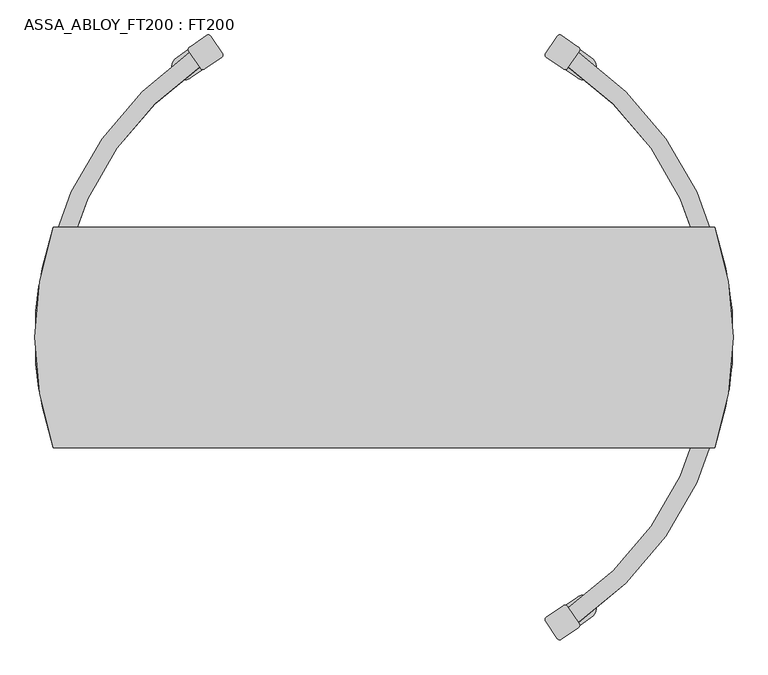
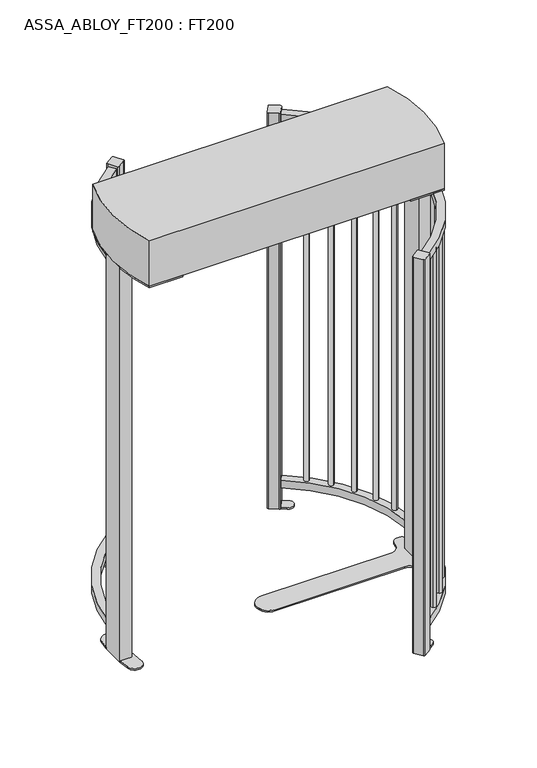
"""IFC4 building model written with IfcOpenShell, lengths in millimetres: proxy geometry, ASSA_ABLOY_FT200 : FT200."""

from ifc_helpers import new_model, si_unit, point, frame, frame_2d, origin, origin_with_axes, origin_2d, place, context, project, spatial, polyline, circle_curve, trimmed, segment, composite_curve, outline, extrude, source, transform, mapped, element, save
from ifc_brep_helpers import plane_surface, cylinder_surface, revolved_surface, advanced_brep


def assa_abloy_ft200_ft200_975a6ff3(model_context):
    return source(origin(), model_context, "Body", "SolidModel", [
        extrude(outline(composite_curve([segment(trimmed(circle_curve(origin_2d(), 742.4655826), [point((-418.0774898, 613.5685405))], [point((-740.0372567, 60.0))], True, "CARTESIAN"), True, "CONTINUOUS"), segment(polyline([(-740.0372567, 60.0), (-780.1617704, 60.0)]), True, "CONTINUOUS"), segment(trimmed(circle_curve(origin_2d(), 782.4655826), [point((-780.1617704, 60.0))], [point((-440.6012269, 646.6242702))], False, "CARTESIAN"), True, "CONTINUOUS"), segment(polyline([(-440.6012269, 646.6242702), (-418.0774898, 613.5685405)]), True, "CONTINUOUS")], self_intersect=False)), frame((0.0, 0.0, 108.5), z_axis=(0.0, 0.0, 1.0), x_axis=(1.0, 0.0, 0.0)), (0.0, 0.0, 1.0), 40.0),
        extrude(outline(composite_curve([segment(trimmed(circle_curve(origin_2d(), 742.4655826), [point((-418.0774898, 613.5685405))], [point((-740.0372567, 60.0))], True, "CARTESIAN"), True, "CONTINUOUS"), segment(polyline([(-740.0372567, 60.0), (-780.1617704, 60.0)]), True, "CONTINUOUS"), segment(trimmed(circle_curve(origin_2d(), 782.4655826), [point((-780.1617704, 60.0))], [point((-440.6012269, 646.6242702))], False, "CARTESIAN"), True, "CONTINUOUS"), segment(polyline([(-440.6012269, 646.6242702), (-418.0774898, 613.5685405)]), True, "CONTINUOUS")], self_intersect=False)), frame((0.0, 0.0, 2077.0), z_axis=(0.0, 0.0, 1.0), x_axis=(1.0, 0.0, 0.0)), (0.0, 0.0, 1.0), 40.0),
        extrude(outline(composite_curve([segment(trimmed(circle_curve(frame_2d((-398.3166943, 679.7133111)), 6.4), [point((-401.9204923, 685.0022278))], [point((-393.0277776, 683.317109))], False, "CARTESIAN"), True, "CONTINUOUS"), segment(polyline([(-393.0277776, 683.317109), (-366.4497678, 644.3113479)]), True, "CONTINUOUS"), segment(trimmed(circle_curve(frame_2d((-371.7386846, 640.70755)), 6.4), [point((-366.4497678, 644.3113479))], [point((-368.1348866, 635.4186332))], False, "CARTESIAN"), True, "CONTINUOUS"), segment(polyline([(-368.1348866, 635.4186332), (-407.1207097, 608.854209)]), True, "CONTINUOUS"), segment(trimmed(circle_curve(frame_2d((-410.7245076, 614.1431257)), 6.4), [point((-407.1207097, 608.854209))], [point((-416.0134244, 610.5393278))], False, "CARTESIAN"), True, "CONTINUOUS"), segment(polyline([(-416.0134244, 610.5393278), (-442.5914341, 649.5450888)]), True, "CONTINUOUS"), segment(trimmed(circle_curve(frame_2d((-437.3025174, 653.1488868)), 6.4), [point((-442.5914341, 649.5450888))], [point((-440.9063153, 658.4378035))], False, "CARTESIAN"), True, "CONTINUOUS"), segment(polyline([(-440.9063153, 658.4378035), (-401.9204923, 685.0022278)]), True, "CONTINUOUS")], self_intersect=False)), origin_with_axes(), (0.0, 0.0, 1.0), 2130.0),
        extrude(outline(composite_curve([segment(trimmed(circle_curve(frame_2d((0.0170756, -0.0250601)), 734.3647421), [point((-413.4988841, 606.8490005))], [point((-437.0598396, 590.1065732))], True, "CARTESIAN"), True, "CONTINUOUS"), segment(trimmed(circle_curve(frame_2d((-453.7247922, 612.6072255)), 28.0), [point((-437.0598396, 590.1065732))], [point((-470.3897449, 635.1078778))], False, "CARTESIAN"), True, "CONTINUOUS"), segment(trimmed(circle_curve(frame_2d((0.0170756, -0.0250601)), 790.3647421), [point((-470.3897449, 635.1078778))], [point((-445.0321161, 653.1270221))], False, "CARTESIAN"), True, "CONTINUOUS"), segment(polyline([(-445.0321161, 653.1270221), (-413.4988841, 606.8490005)]), True, "CONTINUOUS")], self_intersect=False)), origin_with_axes(), (0.0, 0.0, 1.0), 8.0),
        advanced_brep(
        [(739.8778981, -184.2583889, 148.5), (745.4688441, -159.8915876, 148.5), (739.8778981, -184.2583889, 2077.0), (745.5035047, -159.8995664, 2077.0)],
        [
            (0, 1, circle_curve(frame((742.6820377, -172.0769768, 148.5), z_axis=(0.0, 0.0, -1.0), x_axis=(0.22571736015093902, 0.9741928316952919, 0.0)), 12.5)),
            (1, 0, circle_curve(frame((742.6820377, -172.0769768, 148.5), z_axis=(0.0, 0.0, -1.0), x_axis=(0.22571736015093902, 0.9741928316952919, 0.0)), 12.5)),
            (2, 3, circle_curve(frame((742.6820377, -172.0769768, 2077.0), z_axis=(0.0, 0.0, 1.0), x_axis=(0.22571736015093902, 0.9741928316952919, 0.0)), 12.5)),
            (3, 2, circle_curve(frame((742.6820377, -172.0769768, 2077.0), z_axis=(0.0, 0.0, 1.0), x_axis=(0.22571736015093902, 0.9741928316952919, 0.0)), 12.5)),
            (1, 3),
            (2, 0),
        ],
        [
            plane_surface(frame((742.7246149, -172.0869154, 148.5), z_axis=(0.0, 0.0, -1.0), x_axis=(0.9741928316952919, -0.22571736015093902, 0.0))),
            plane_surface(frame((742.7246149, -172.0869154, 2077.0), z_axis=(0.0, 0.0, 1.0), x_axis=(0.9741928316952919, -0.22571736015093902, 0.0))),
            cylinder_surface(frame((742.6820377, -172.0769768, 148.5), z_axis=(0.0, 0.0, -1.0), x_axis=(0.22571736015093902, 0.9741928316952919, 0.0)), 12.5),
        ],
        [
            (0, [[1, 2]]),
            (1, [[3, 4]]),
            (2, [[5, -3, 6, -2]]),
            (2, [[-6, -4, -5, -1]]),
        ],
    ),
        advanced_brep(
        [(713.5184052, -268.8158202, 148.5), (704.3056197, -292.0563939, 148.5), (713.5184052, -268.8158202, 2077.0), (704.2725675, -292.0432645, 2077.0)],
        [
            (0, 1, circle_curve(frame((708.903747, -280.4328306, 148.5), z_axis=(0.0, 0.0, -1.0), x_axis=(0.36785018396747954, 0.9298850693258235, 0.0)), 12.5)),
            (1, 0, circle_curve(frame((708.903747, -280.4328306, 148.5), z_axis=(0.0, 0.0, -1.0), x_axis=(0.36785018396747954, 0.9298850693258235, 0.0)), 12.5)),
            (2, 3, circle_curve(frame((708.903747, -280.4328306, 2077.0), z_axis=(0.0, 0.0, 1.0), x_axis=(0.36785018396747954, 0.9298850693258235, 0.0)), 12.5)),
            (3, 2, circle_curve(frame((708.903747, -280.4328306, 2077.0), z_axis=(0.0, 0.0, 1.0), x_axis=(0.36785018396747954, 0.9298850693258235, 0.0)), 12.5)),
            (1, 3),
            (2, 0),
        ],
        [
            plane_surface(frame((708.9443769, -280.4489803, 148.5), z_axis=(0.0, 0.0, -1.0000000000000002), x_axis=(0.9298850693258235, -0.36785018396747954, 0.0))),
            plane_surface(frame((708.9443769, -280.4489803, 2077.0), z_axis=(0.0, 0.0, 1.0000000000000002), x_axis=(0.9298850693258235, -0.36785018396747954, 0.0))),
            cylinder_surface(frame((708.903747, -280.4328306, 148.5), z_axis=(0.0, 0.0, -1.0000000000000002), x_axis=(0.36785018396747954, 0.9298850693258235, 0.0)), 12.5),
        ],
        [
            (0, [[1, 2]]),
            (1, [[3, 4]]),
            (2, [[5, -3, 6, -2]]),
            (2, [[-6, -4, -5, -1]]),
        ],
    ),
        advanced_brep(
        [(665.7009086, -371.7697674, 148.5), (653.1397929, -393.3849948, 148.5), (665.7009086, -371.7697674, 2077.0), (653.1090562, -393.3671037, 2077.0)],
        [
            (0, 1, circle_curve(frame((659.4126634, -382.5729138, 148.5), z_axis=(0.0, 0.0, -1.0), x_axis=(0.5018296388362806, 0.8649664811918716, 0.0)), 12.5)),
            (1, 0, circle_curve(frame((659.4126634, -382.5729138, 148.5), z_axis=(0.0, 0.0, -1.0), x_axis=(0.5018296388362806, 0.8649664811918716, 0.0)), 12.5)),
            (2, 3, circle_curve(frame((659.4126634, -382.5729138, 2077.0), z_axis=(0.0, 0.0, 1.0), x_axis=(0.5018296388362806, 0.8649664811918716, 0.0)), 12.5)),
            (3, 2, circle_curve(frame((659.4126634, -382.5729138, 2077.0), z_axis=(0.0, 0.0, 1.0), x_axis=(0.5018296388362806, 0.8649664811918716, 0.0)), 12.5)),
            (1, 3),
            (2, 0),
        ],
        [
            plane_surface(frame((659.4504453, -382.5949166, 148.5), z_axis=(0.0, 0.0, -1.0000000000000002), x_axis=(0.8649664811918716, -0.5018296388362806, 0.0))),
            plane_surface(frame((659.4504453, -382.5949166, 2077.0), z_axis=(0.0, 0.0, 1.0000000000000002), x_axis=(0.8649664811918716, -0.5018296388362806, 0.0))),
            cylinder_surface(frame((659.4126634, -382.5729138, 148.5), z_axis=(0.0, 0.0, -1.0000000000000002), x_axis=(0.5018296388362806, 0.8649664811918716, 0.0)), 12.5),
        ],
        [
            (0, [[1, 2]]),
            (1, [[3, 4]]),
            (2, [[5, -3, 6, -2]]),
            (2, [[-6, -4, -5, -1]]),
        ],
    ),
        advanced_brep(
        [(602.9492767, -466.7147195, 148.5), (587.310766, -486.2195053, 148.5), (602.9492767, -466.7147195, 2077.0), (587.2830347, -486.1972385, 2077.0)],
        [
            (0, 1, circle_curve(frame((595.1230845, -476.4615507, 148.5), z_axis=(0.0, 0.0, -1.0), x_axis=(0.6249854827810993, 0.7806363726555895, 0.0)), 12.5)),
            (1, 0, circle_curve(frame((595.1230845, -476.4615507, 148.5), z_axis=(0.0, 0.0, -1.0), x_axis=(0.6249854827810993, 0.7806363726555895, 0.0)), 12.5)),
            (2, 3, circle_curve(frame((595.1230845, -476.4615507, 2077.0), z_axis=(0.0, 0.0, 1.0), x_axis=(0.6249854827810993, 0.7806363726555895, 0.0)), 12.5)),
            (3, 2, circle_curve(frame((595.1230845, -476.4615507, 2077.0), z_axis=(0.0, 0.0, 1.0), x_axis=(0.6249854827810993, 0.7806363726555895, 0.0)), 12.5)),
            (1, 3),
            (2, 0),
        ],
        [
            plane_surface(frame((595.1571705, -476.4889321, 148.5), z_axis=(0.0, 0.0, -1.0000000000000002), x_axis=(0.7806363726555895, -0.6249854827810993, 0.0))),
            plane_surface(frame((595.1571705, -476.4889321, 2077.0), z_axis=(0.0, 0.0, 1.0000000000000002), x_axis=(0.7806363726555895, -0.6249854827810993, 0.0))),
            cylinder_surface(frame((595.1230845, -476.4615507, 148.5), z_axis=(0.0, 0.0, -1.0000000000000002), x_axis=(0.6249854827810993, 0.7806363726555895, 0.0)), 12.5),
        ],
        [
            (0, [[1, 2]]),
            (1, [[3, 4]]),
            (2, [[5, -3, 6, -2]]),
            (2, [[-6, -4, -5, -1]]),
        ],
    ),
        advanced_brep(
        [(526.9315336, -551.0504511, 148.5), (508.5805001, -568.0280705, 148.5), (526.9315336, -551.0504511, 2077.0), (508.5774477, -568.0247706, 2077.0)],
        [
            (0, 1, circle_curve(frame((517.7552537, -559.5384359, 148.5), z_axis=(0.0, 0.0, -1.0), x_axis=(0.733980288863185, 0.6791707705432527, 0.0)), 12.5)),
            (1, 0, circle_curve(frame((517.7552537, -559.5384359, 148.5), z_axis=(0.0, 0.0, -1.0), x_axis=(0.733980288863185, 0.6791707705432527, 0.0)), 12.5)),
            (2, 3, circle_curve(frame((517.7552537, -559.5384359, 2077.0), z_axis=(0.0, 0.0, 1.0), x_axis=(0.733980288863185, 0.6791707705432527, 0.0)), 12.5)),
            (3, 2, circle_curve(frame((517.7552537, -559.5384359, 2077.0), z_axis=(0.0, 0.0, 1.0), x_axis=(0.733980288863185, 0.6791707705432527, 0.0)), 12.5)),
            (1, 3),
            (2, 0),
        ],
        [
            plane_surface(frame((517.7997955, -559.5865722, 148.5), z_axis=(0.0, 0.0, -1.0000000000000002), x_axis=(0.6791707705432527, -0.733980288863185, 0.0))),
            plane_surface(frame((517.7997955, -559.5865722, 2077.0), z_axis=(0.0, 0.0, 1.0000000000000002), x_axis=(0.6791707705432527, -0.733980288863185, 0.0))),
            cylinder_surface(frame((517.7552537, -559.5384359, 148.5), z_axis=(0.0, 0.0, -1.0000000000000002), x_axis=(0.733980288863185, 0.6791707705432527, 0.0)), 12.5),
        ],
        [
            (0, [[1, 2]]),
            (1, [[3, 4]]),
            (2, [[5, -3, 6, -2]]),
            (2, [[-6, -4, -5, -1]]),
        ],
    ),
        extrude(outline(composite_curve([segment(trimmed(circle_curve(origin_2d(), 742.4655826), [point((418.0774898, -613.5685405))], [point((740.0372567, -60.0))], True, "CARTESIAN"), True, "CONTINUOUS"), segment(polyline([(740.0372567, -60.0), (780.1617704, -60.0)]), True, "CONTINUOUS"), segment(trimmed(circle_curve(origin_2d(), 782.4655826), [point((780.1617704, -60.0))], [point((440.6012269, -646.6242702))], False, "CARTESIAN"), True, "CONTINUOUS"), segment(polyline([(440.6012269, -646.6242702), (418.0774898, -613.5685405)]), True, "CONTINUOUS")], self_intersect=False)), frame((0.0, 0.0, 108.5), z_axis=(0.0, 0.0, 1.0), x_axis=(1.0, 0.0, 0.0)), (0.0, 0.0, 1.0), 40.0),
        extrude(outline(composite_curve([segment(trimmed(circle_curve(origin_2d(), 742.4655826), [point((418.0774898, -613.5685405))], [point((740.0372567, -60.0))], True, "CARTESIAN"), True, "CONTINUOUS"), segment(polyline([(740.0372567, -60.0), (780.1617704, -60.0)]), True, "CONTINUOUS"), segment(trimmed(circle_curve(origin_2d(), 782.4655826), [point((780.1617704, -60.0))], [point((440.6012269, -646.6242702))], False, "CARTESIAN"), True, "CONTINUOUS"), segment(polyline([(440.6012269, -646.6242702), (418.0774898, -613.5685405)]), True, "CONTINUOUS")], self_intersect=False)), frame((0.0, 0.0, 2077.0), z_axis=(0.0, 0.0, 1.0), x_axis=(1.0, 0.0, 0.0)), (0.0, 0.0, 1.0), 40.0),
        extrude(outline(composite_curve([segment(trimmed(circle_curve(frame_2d((398.3166943, -679.7133111)), 6.4), [point((401.9204923, -685.0022278))], [point((393.0277776, -683.317109))], False, "CARTESIAN"), True, "CONTINUOUS"), segment(polyline([(393.0277776, -683.317109), (366.4497678, -644.3113479)]), True, "CONTINUOUS"), segment(trimmed(circle_curve(frame_2d((371.7386846, -640.70755)), 6.4), [point((366.4497678, -644.3113479))], [point((368.1348866, -635.4186332))], False, "CARTESIAN"), True, "CONTINUOUS"), segment(polyline([(368.1348866, -635.4186332), (407.1207097, -608.854209)]), True, "CONTINUOUS"), segment(trimmed(circle_curve(frame_2d((410.7245076, -614.1431257)), 6.4), [point((407.1207097, -608.854209))], [point((416.0134244, -610.5393278))], False, "CARTESIAN"), True, "CONTINUOUS"), segment(polyline([(416.0134244, -610.5393278), (442.5914341, -649.5450888)]), True, "CONTINUOUS"), segment(trimmed(circle_curve(frame_2d((437.3025174, -653.1488868)), 6.4), [point((442.5914341, -649.5450888))], [point((440.9063153, -658.4378035))], False, "CARTESIAN"), True, "CONTINUOUS"), segment(polyline([(440.9063153, -658.4378035), (401.9204923, -685.0022278)]), True, "CONTINUOUS")], self_intersect=False)), origin_with_axes(), (0.0, 0.0, 1.0), 2130.0),
        extrude(outline(composite_curve([segment(trimmed(circle_curve(frame_2d((-0.0170756, 0.0250601)), 734.3647421), [point((413.4988841, -606.8490005))], [point((437.0598396, -590.1065732))], True, "CARTESIAN"), True, "CONTINUOUS"), segment(trimmed(circle_curve(frame_2d((453.7247922, -612.6072255)), 28.0), [point((437.0598396, -590.1065732))], [point((470.3897449, -635.1078778))], False, "CARTESIAN"), True, "CONTINUOUS"), segment(trimmed(circle_curve(frame_2d((-0.0170756, 0.0250601)), 790.3647421), [point((470.3897449, -635.1078778))], [point((445.0321161, -653.1270221))], False, "CARTESIAN"), True, "CONTINUOUS"), segment(polyline([(445.0321161, -653.1270221), (413.4988841, -606.8490005)]), True, "CONTINUOUS")], self_intersect=False)), origin_with_axes(), (0.0, 0.0, 1.0), 8.0),
        advanced_brep(
        [(739.8778981, 184.2583889, 148.5), (745.5035047, 159.8995664, 148.5), (739.8778981, 184.2583889, 2077.0), (745.4688441, 159.8915876, 2077.0)],
        [
            (0, 1, circle_curve(frame((742.6820377, 172.0769768, 148.5), z_axis=(0.0, 0.0, -1.0), x_axis=(0.22571736015093902, -0.9741928316952919, 0.0)), 12.5)),
            (1, 0, circle_curve(frame((742.6820377, 172.0769768, 148.5), z_axis=(0.0, 0.0, -1.0), x_axis=(0.22571736015093902, -0.9741928316952919, 0.0)), 12.5)),
            (2, 3, circle_curve(frame((742.6820377, 172.0769768, 2077.0), z_axis=(0.0, 0.0, 1.0), x_axis=(0.22571736015093902, -0.9741928316952919, 0.0)), 12.5)),
            (3, 2, circle_curve(frame((742.6820377, 172.0769768, 2077.0), z_axis=(0.0, 0.0, 1.0), x_axis=(0.22571736015093902, -0.9741928316952919, 0.0)), 12.5)),
            (0, 2),
            (3, 1),
        ],
        [
            plane_surface(frame((742.7246149, 172.0869154, 148.5), z_axis=(0.0, 0.0, -1.0), x_axis=(0.9741928316952919, 0.22571736015093902, 0.0))),
            plane_surface(frame((742.7246149, 172.0869154, 2077.0), z_axis=(0.0, 0.0, 1.0), x_axis=(0.9741928316952919, 0.22571736015093902, 0.0))),
            cylinder_surface(frame((742.6820377, 172.0769768, 148.5), z_axis=(0.0, 0.0, -1.0), x_axis=(0.22571736015093902, -0.9741928316952919, 0.0)), 12.5),
        ],
        [
            (0, [[1, 2]]),
            (1, [[3, 4]]),
            (2, [[-1, 5, -4, 6]]),
            (2, [[-2, -6, -3, -5]]),
        ],
    ),
        advanced_brep(
        [(713.5184052, 268.8158202, 148.5), (704.2725675, 292.0432645, 148.5), (713.5184052, 268.8158202, 2077.0), (704.3056197, 292.0563939, 2077.0)],
        [
            (0, 1, circle_curve(frame((708.903747, 280.4328306, 148.5), z_axis=(0.0, 0.0, -1.0), x_axis=(0.36785018396747954, -0.9298850693258235, 0.0)), 12.5)),
            (1, 0, circle_curve(frame((708.903747, 280.4328306, 148.5), z_axis=(0.0, 0.0, -1.0), x_axis=(0.36785018396747954, -0.9298850693258235, 0.0)), 12.5)),
            (2, 3, circle_curve(frame((708.903747, 280.4328306, 2077.0), z_axis=(0.0, 0.0, 1.0), x_axis=(0.36785018396747954, -0.9298850693258235, 0.0)), 12.5)),
            (3, 2, circle_curve(frame((708.903747, 280.4328306, 2077.0), z_axis=(0.0, 0.0, 1.0), x_axis=(0.36785018396747954, -0.9298850693258235, 0.0)), 12.5)),
            (0, 2),
            (3, 1),
        ],
        [
            plane_surface(frame((708.9443769, 280.4489803, 148.5), z_axis=(0.0, 0.0, -1.0000000000000002), x_axis=(0.9298850693258235, 0.36785018396747954, 0.0))),
            plane_surface(frame((708.9443769, 280.4489803, 2077.0), z_axis=(0.0, 0.0, 1.0000000000000002), x_axis=(0.9298850693258235, 0.36785018396747954, 0.0))),
            cylinder_surface(frame((708.903747, 280.4328306, 148.5), z_axis=(0.0, 0.0, -1.0000000000000002), x_axis=(0.36785018396747954, -0.9298850693258235, 0.0)), 12.5),
        ],
        [
            (0, [[1, 2]]),
            (1, [[3, 4]]),
            (2, [[-1, 5, -4, 6]]),
            (2, [[-2, -6, -3, -5]]),
        ],
    ),
        advanced_brep(
        [(665.7009086, 371.7697674, 148.5), (653.1090562, 393.3671037, 148.5), (665.7009086, 371.7697674, 2077.0), (653.1397929, 393.3849948, 2077.0)],
        [
            (0, 1, circle_curve(frame((659.4126634, 382.5729138, 148.5), z_axis=(0.0, 0.0, -1.0), x_axis=(0.5018296388362806, -0.8649664811918716, 0.0)), 12.5)),
            (1, 0, circle_curve(frame((659.4126634, 382.5729138, 148.5), z_axis=(0.0, 0.0, -1.0), x_axis=(0.5018296388362806, -0.8649664811918716, 0.0)), 12.5)),
            (2, 3, circle_curve(frame((659.4126634, 382.5729138, 2077.0), z_axis=(0.0, 0.0, 1.0), x_axis=(0.5018296388362806, -0.8649664811918716, 0.0)), 12.5)),
            (3, 2, circle_curve(frame((659.4126634, 382.5729138, 2077.0), z_axis=(0.0, 0.0, 1.0), x_axis=(0.5018296388362806, -0.8649664811918716, 0.0)), 12.5)),
            (0, 2),
            (3, 1),
        ],
        [
            plane_surface(frame((659.4504453, 382.5949166, 148.5), z_axis=(0.0, 0.0, -1.0000000000000002), x_axis=(0.8649664811918716, 0.5018296388362806, 0.0))),
            plane_surface(frame((659.4504453, 382.5949166, 2077.0), z_axis=(0.0, 0.0, 1.0000000000000002), x_axis=(0.8649664811918716, 0.5018296388362806, 0.0))),
            cylinder_surface(frame((659.4126634, 382.5729138, 148.5), z_axis=(0.0, 0.0, -1.0000000000000002), x_axis=(0.5018296388362806, -0.8649664811918716, 0.0)), 12.5),
        ],
        [
            (0, [[1, 2]]),
            (1, [[3, 4]]),
            (2, [[-1, 5, -4, 6]]),
            (2, [[-2, -6, -3, -5]]),
        ],
    ),
        advanced_brep(
        [(602.9492767, 466.7147195, 148.5), (587.2830347, 486.1972385, 148.5), (602.9492767, 466.7147195, 2077.0), (587.310766, 486.2195053, 2077.0)],
        [
            (0, 1, circle_curve(frame((595.1230845, 476.4615507, 148.5), z_axis=(0.0, 0.0, -1.0), x_axis=(0.6249854827810993, -0.7806363726555895, 0.0)), 12.5)),
            (1, 0, circle_curve(frame((595.1230845, 476.4615507, 148.5), z_axis=(0.0, 0.0, -1.0), x_axis=(0.6249854827810993, -0.7806363726555895, 0.0)), 12.5)),
            (2, 3, circle_curve(frame((595.1230845, 476.4615507, 2077.0), z_axis=(0.0, 0.0, 1.0), x_axis=(0.6249854827810993, -0.7806363726555895, 0.0)), 12.5)),
            (3, 2, circle_curve(frame((595.1230845, 476.4615507, 2077.0), z_axis=(0.0, 0.0, 1.0), x_axis=(0.6249854827810993, -0.7806363726555895, 0.0)), 12.5)),
            (0, 2),
            (3, 1),
        ],
        [
            plane_surface(frame((595.1571705, 476.4889321, 148.5), z_axis=(0.0, 0.0, -1.0000000000000002), x_axis=(0.7806363726555895, 0.6249854827810993, 0.0))),
            plane_surface(frame((595.1571705, 476.4889321, 2077.0), z_axis=(0.0, 0.0, 1.0000000000000002), x_axis=(0.7806363726555895, 0.6249854827810993, 0.0))),
            cylinder_surface(frame((595.1230845, 476.4615507, 148.5), z_axis=(0.0, 0.0, -1.0000000000000002), x_axis=(0.6249854827810993, -0.7806363726555895, 0.0)), 12.5),
        ],
        [
            (0, [[1, 2]]),
            (1, [[3, 4]]),
            (2, [[-1, 5, -4, 6]]),
            (2, [[-2, -6, -3, -5]]),
        ],
    ),
        advanced_brep(
        [(526.9315336, 551.0504511, 148.5), (508.5774477, 568.0247706, 148.5), (526.9315336, 551.0504511, 2077.0), (508.5805001, 568.0280705, 2077.0)],
        [
            (0, 1, circle_curve(frame((517.7552537, 559.5384359, 148.5), z_axis=(0.0, 0.0, -1.0), x_axis=(0.733980288863185, -0.6791707705432527, 0.0)), 12.5)),
            (1, 0, circle_curve(frame((517.7552537, 559.5384359, 148.5), z_axis=(0.0, 0.0, -1.0), x_axis=(0.733980288863185, -0.6791707705432527, 0.0)), 12.5)),
            (2, 3, circle_curve(frame((517.7552537, 559.5384359, 2077.0), z_axis=(0.0, 0.0, 1.0), x_axis=(0.733980288863185, -0.6791707705432527, 0.0)), 12.5)),
            (3, 2, circle_curve(frame((517.7552537, 559.5384359, 2077.0), z_axis=(0.0, 0.0, 1.0), x_axis=(0.733980288863185, -0.6791707705432527, 0.0)), 12.5)),
            (0, 2),
            (3, 1),
        ],
        [
            plane_surface(frame((517.7997955, 559.5865722, 148.5), z_axis=(0.0, 0.0, -1.0000000000000002), x_axis=(0.6791707705432527, 0.733980288863185, 0.0))),
            plane_surface(frame((517.7997955, 559.5865722, 2077.0), z_axis=(0.0, 0.0, 1.0000000000000002), x_axis=(0.6791707705432527, 0.733980288863185, 0.0))),
            cylinder_surface(frame((517.7552537, 559.5384359, 148.5), z_axis=(0.0, 0.0, -1.0000000000000002), x_axis=(0.733980288863185, -0.6791707705432527, 0.0)), 12.5),
        ],
        [
            (0, [[1, 2]]),
            (1, [[3, 4]]),
            (2, [[-1, 5, -4, 6]]),
            (2, [[-2, -6, -3, -5]]),
        ],
    ),
        extrude(outline(composite_curve([segment(polyline([(418.0774898, 613.5685405), (440.6012269, 646.6242702)]), True, "CONTINUOUS"), segment(trimmed(circle_curve(origin_2d(), 782.4655826), [point((440.6012269, 646.6242702))], [point((780.1617704, 60.0))], False, "CARTESIAN"), True, "CONTINUOUS"), segment(polyline([(780.1617704, 60.0), (740.0372567, 60.0)]), True, "CONTINUOUS"), segment(trimmed(circle_curve(origin_2d(), 742.4655826), [point((740.0372567, 60.0))], [point((418.0774898, 613.5685405))], True, "CARTESIAN"), True, "CONTINUOUS")], self_intersect=False)), frame((0.0, 0.0, 108.5), z_axis=(0.0, 0.0, 1.0), x_axis=(1.0, 0.0, 0.0)), (0.0, 0.0, 1.0), 40.0),
        extrude(outline(composite_curve([segment(polyline([(418.0774898, 613.5685405), (440.6012269, 646.6242702)]), True, "CONTINUOUS"), segment(trimmed(circle_curve(origin_2d(), 782.4655826), [point((440.6012269, 646.6242702))], [point((780.1617704, 60.0))], False, "CARTESIAN"), True, "CONTINUOUS"), segment(polyline([(780.1617704, 60.0), (740.0372567, 60.0)]), True, "CONTINUOUS"), segment(trimmed(circle_curve(origin_2d(), 742.4655826), [point((740.0372567, 60.0))], [point((418.0774898, 613.5685405))], True, "CARTESIAN"), True, "CONTINUOUS")], self_intersect=False)), frame((0.0, 0.0, 2077.0), z_axis=(0.0, 0.0, 1.0), x_axis=(1.0, 0.0, 0.0)), (0.0, 0.0, 1.0), 40.0),
        extrude(outline(composite_curve([segment(polyline([(401.9204923, 685.0022278), (440.9063153, 658.4378035)]), True, "CONTINUOUS"), segment(trimmed(circle_curve(frame_2d((437.3025174, 653.1488868)), 6.4), [point((440.9063153, 658.4378035))], [point((442.5914341, 649.5450888))], False, "CARTESIAN"), True, "CONTINUOUS"), segment(polyline([(442.5914341, 649.5450888), (416.0134244, 610.5393278)]), True, "CONTINUOUS"), segment(trimmed(circle_curve(frame_2d((410.7245076, 614.1431257)), 6.4), [point((416.0134244, 610.5393278))], [point((407.1207097, 608.854209))], False, "CARTESIAN"), True, "CONTINUOUS"), segment(polyline([(407.1207097, 608.854209), (368.1348866, 635.4186332)]), True, "CONTINUOUS"), segment(trimmed(circle_curve(frame_2d((371.7386846, 640.70755)), 6.4), [point((368.1348866, 635.4186332))], [point((366.4497678, 644.3113479))], False, "CARTESIAN"), True, "CONTINUOUS"), segment(polyline([(366.4497678, 644.3113479), (393.0277776, 683.317109)]), True, "CONTINUOUS"), segment(trimmed(circle_curve(frame_2d((398.3166943, 679.7133111)), 6.4), [point((393.0277776, 683.317109))], [point((401.9204923, 685.0022278))], False, "CARTESIAN"), True, "CONTINUOUS")], self_intersect=False)), origin_with_axes(), (0.0, 0.0, 1.0), 2130.0),
        extrude(outline(composite_curve([segment(polyline([(413.4988841, 606.8490005), (445.0321161, 653.1270221)]), True, "CONTINUOUS"), segment(trimmed(circle_curve(frame_2d((-0.0170756, -0.0250601)), 790.3647421), [point((445.0321161, 653.1270221))], [point((470.3897449, 635.1078778))], False, "CARTESIAN"), True, "CONTINUOUS"), segment(trimmed(circle_curve(frame_2d((453.7247922, 612.6072255)), 28.0), [point((470.3897449, 635.1078778))], [point((437.0598396, 590.1065732))], False, "CARTESIAN"), True, "CONTINUOUS"), segment(trimmed(circle_curve(frame_2d((-0.0170756, -0.0250601)), 734.3647421), [point((437.0598396, 590.1065732))], [point((413.4988841, 606.8490005))], True, "CARTESIAN"), True, "CONTINUOUS")], self_intersect=False)), origin_with_axes(), (0.0, 0.0, 1.0), 8.0),
        extrude(outline(composite_curve([segment(polyline([(-730.0, 60.0), (-789.7316667, 60.0)]), True, "CONTINUOUS"), segment(trimmed(circle_curve(frame_2d((-40.1285881, 0.0)), 752.0005156), [point((-789.7316667, 60.0))], [point((-783.1410351, 115.9192782))], False, "CARTESIAN"), True, "CONTINUOUS"), segment(trimmed(circle_curve(frame_2d((-745.2, 110.0)), 38.4), [point((-783.1410351, 115.9192782))], [point((-707.2118538, 104.391012))], False, "CARTESIAN"), True, "CONTINUOUS"), segment(trimmed(circle_curve(frame_2d((-0.2, 0.0)), 714.6770213), [point((-707.2118538, 104.391012))], [point((-707.2118538, -104.391012))], True, "CARTESIAN"), True, "CONTINUOUS"), segment(trimmed(circle_curve(frame_2d((-745.2, -110.0)), 38.4), [point((-707.2118538, -104.391012))], [point((-783.1410351, -115.9192782))], False, "CARTESIAN"), True, "CONTINUOUS"), segment(trimmed(circle_curve(frame_2d((-40.1285881, 0.0)), 752.0005156), [point((-783.1410351, -115.9192782))], [point((-789.7316667, -60.0))], False, "CARTESIAN"), True, "CONTINUOUS"), segment(polyline([(-789.7316667, -60.0), (-730.0, -60.0), (-730.0, 60.0)]), True, "CONTINUOUS")], self_intersect=False)), origin_with_axes(), (0.0, 0.0, 1.0), 8.0),
        extrude(outline(polyline([(-790.0, 60.0), (-730.0, 60.0), (-730.0, -60.0), (-790.0, -60.0), (-790.0, 60.0)])), origin_with_axes(), (0.0, 0.0, 1.0), 2125.0),
        extrude(outline(composite_curve([segment(polyline([(-580.6, 249.999079), (-580.6, -249.999079), (-749.9571641, -249.999079)]), True, "CONTINUOUS"), segment(trimmed(circle_curve(frame_2d((-27.7, -0.000921)), 764.3), [point((-749.9571641, -249.999079))], [point((-789.6413367, -60.0))], False, "CARTESIAN"), True, "CONTINUOUS"), segment(polyline([(-789.6413367, -60.0), (-730.0260248, -60.0), (-730.0260248, 60.0), (-789.6411916, 60.0)]), True, "CONTINUOUS"), segment(trimmed(circle_curve(frame_2d((-27.7, -0.000921)), 764.3), [point((-789.6411916, 60.0))], [point((-749.9565265, 249.999079))], False, "CARTESIAN"), True, "CONTINUOUS"), segment(polyline([(-749.9565265, 249.999079), (-580.6, 249.999079)]), True, "CONTINUOUS")], self_intersect=False)), frame((0.0, 0.0, 2117.0), z_axis=(0.0, 0.0, 1.0), x_axis=(1.0, 0.0, 0.0)), (0.0, 0.0, 1.0), 8.0),
        extrude(outline(composite_curve([segment(polyline([(580.6, 249.999079), (749.9565269, 249.999079)]), True, "CONTINUOUS"), segment(trimmed(circle_curve(frame_2d((27.7, 0.1034443)), 764.2658692), [point((749.9565269, 249.999079))], [point((789.6151668, 60.0))], False, "CARTESIAN"), True, "CONTINUOUS"), segment(polyline([(789.6151668, 60.0), (730.0, 60.0), (730.0, -60.0), (789.667361, -60.0)]), True, "CONTINUOUS"), segment(trimmed(circle_curve(frame_2d((27.7, 0.1034443)), 764.3341437), [point((789.667361, -60.0))], [point((749.9571641, -249.999079))], False, "CARTESIAN"), True, "CONTINUOUS"), segment(polyline([(749.9571641, -249.999079), (580.6, -249.999079), (580.6, 249.999079)]), True, "CONTINUOUS")], self_intersect=False)), frame((0.0, 0.0, 2117.0), z_axis=(0.0, 0.0, 1.0), x_axis=(1.0, 0.0, 0.0)), (0.0, 0.0, 1.0), 8.0),
        extrude(outline(composite_curve([segment(trimmed(circle_curve(frame_2d((27.7, -0.000921)), 764.3), [point((749.9565265, 249.999079))], [point((749.9571641, -249.999079))], False, "CARTESIAN"), True, "CONTINUOUS"), segment(polyline([(749.9571641, -249.999079), (-749.9571641, -249.999079)]), True, "CONTINUOUS"), segment(trimmed(circle_curve(frame_2d((-27.7, -0.000921)), 764.3), [point((-749.9571641, -249.999079))], [point((-749.9565265, 249.999079))], False, "CARTESIAN"), True, "CONTINUOUS"), segment(polyline([(-749.9565265, 249.999079), (749.9565265, 249.999079)]), True, "CONTINUOUS")], self_intersect=False)), frame((0.0, 0.0, 2125.0), z_axis=(0.0, 0.0, 1.0), x_axis=(1.0, 0.0, 0.0)), (0.0, 0.0, 1.0), 245.0),
        extrude(outline(polyline([(790.0, 60.0), (790.0, -60.0), (730.0, -60.0), (730.0, 60.0), (790.0, 60.0)])), origin_with_axes(), (0.0, 0.0, 1.0), 2125.0),
        advanced_brep(
        [(730.0, 59.9999769, 0.0), (730.0, -59.9991967, 0.0), (789.5173038, -59.9991967, 0.0), (782.7226463, -117.1791282, 0.0), (706.6351405, -109.9974643, 0.0), (656.6446671, -60.0040347, 0.0), (0.0, -60.0, 0.0), (0.0, 60.0, 0.0), (656.6, 60.0, 0.0), (706.5987914, 110.0273153, 0.0), (782.5859265, 117.8952218, 0.0), (789.5173273, 59.9999769, 0.0), (730.0, 59.9999769, 8.0), (789.5173273, 59.9999769, 8.0), (782.5859265, 117.8952218, 8.0), (706.5987913, 110.0273153, 8.0), (656.6, 60.0011188, 8.0), (0.0, 60.0, 8.0), (0.0, -60.0, 8.0), (656.6446671, -60.0040347, 8.0), (706.6351405, -109.9974643, 8.0), (782.7226463, -117.1791282, 8.0), (789.5173038, -59.9991967, 8.0), (730.0, -59.9991967, 8.0)],
        [
            (0, 1),
            (1, 2),
            (2, 3, circle_curve(frame((377.6699861, -40.0532919, 0.0), z_axis=(0.0, 0.0, -1.0), x_axis=(1.0, 0.0, 0.0)), 412.3300282)),
            (3, 4, circle_curve(frame((745.0176067, -109.999734, 0.0), z_axis=(0.0, 0.0, -1.0), x_axis=(1.0, 0.0, 0.0)), 38.3824662)),
            (4, 5, circle_curve(frame((656.6446671, -109.9945082, 0.0), z_axis=(0.0, 0.0, 1.0), x_axis=(1.0, 0.0, 0.0)), 49.9904735)),
            (5, 6),
            (6, 7, circle_curve(frame((0.0, 0.0, 0.0), z_axis=(0.0, 0.0, -1.0), x_axis=(1.0, 0.0, 0.0)), 60.0)),
            (7, 8),
            (8, 9, circle_curve(frame((656.6, 109.9999177, 0.0), z_axis=(0.0, 0.0, 1.0), x_axis=(1.0, 0.0, 0.0)), 49.998799)),
            (9, 10, circle_curve(frame((744.997512, 110.0483564, 0.0), z_axis=(0.0, 0.0, -1.0), x_axis=(1.0, 0.0, 0.0)), 38.3987265)),
            (10, 11, circle_curve(frame((377.6697787, 40.0548399, 0.0), z_axis=(0.0, 0.0, -1.0), x_axis=(1.0, 0.0, 0.0)), 412.3302218)),
            (11, 0),
            (12, 13),
            (13, 14, circle_curve(frame((377.6697787, 40.0548399, 8.0), z_axis=(0.0, 0.0, 1.0), x_axis=(1.0, 0.0, 0.0)), 412.3302218)),
            (14, 15, circle_curve(frame((744.997512, 110.0483564, 8.0), z_axis=(0.0, 0.0, 1.0), x_axis=(1.0, 0.0, 0.0)), 38.3987265)),
            (15, 16, circle_curve(frame((656.6, 109.9999177, 8.0), z_axis=(0.0, 0.0, -1.0), x_axis=(1.0, 0.0, 0.0)), 49.998799)),
            (16, 17),
            (17, 18, circle_curve(frame((0.0, 0.0, 8.0), z_axis=(0.0, 0.0, 1.0), x_axis=(1.0, 0.0, 0.0)), 60.0)),
            (18, 19),
            (19, 20, circle_curve(frame((656.6446671, -109.9945082, 8.0), z_axis=(0.0, 0.0, -1.0), x_axis=(1.0, 0.0, 0.0)), 49.9904735)),
            (20, 21, circle_curve(frame((745.0176067, -109.999734, 8.0), z_axis=(0.0, 0.0, 1.0), x_axis=(1.0, 0.0, 0.0)), 38.3824662)),
            (21, 22, circle_curve(frame((377.6699861, -40.0532919, 8.0), z_axis=(0.0, 0.0, 1.0), x_axis=(1.0, 0.0, 0.0)), 412.3300282)),
            (22, 23),
            (23, 12),
            (6, 18),
            (17, 7),
            (11, 13),
            (12, 0),
            (10, 14),
            (9, 15),
            (8, 16),
            (5, 19),
            (4, 20),
            (3, 21),
            (2, 22),
            (1, 23),
        ],
        [
            plane_surface(frame((789.5173273, 59.9999769, 0.0), z_axis=(0.0, 0.0, -1.0), x_axis=(-1.0, 0.0, 0.0))),
            plane_surface(frame((789.5173273, 59.9999769, 8.0), z_axis=(0.0, 0.0, 1.0), x_axis=(1.0, 0.0, 0.0))),
            cylinder_surface(origin_with_axes(), 60.0),
            plane_surface(frame((730.0, 59.9999769, 8.0), z_axis=(0.0, -1.0, 0.0), x_axis=(0.0, 0.0, -1.0))),
            cylinder_surface(frame((377.6697787, 40.0548399, 0.0), z_axis=(0.0, 0.0, 1.0), x_axis=(1.0, 0.0, 0.0)), 412.3302218),
            cylinder_surface(frame((744.997512, 110.0483564, 0.0), z_axis=(0.0, 0.0, 1.0), x_axis=(1.0, 0.0, 0.0)), 38.3987265),
            revolved_surface(polyline([(706.598799, 109.9999177, 0.0), (706.598799, 109.9999177, 8.0)]), (656.6, 109.9999177, 0.0), (0.0, 0.0, -1.0)),
            plane_surface(frame((656.6, 60.0, 8.0), z_axis=(0.0, 1.0, 0.0), x_axis=(0.0, 0.0, -1.0))),
            plane_surface(frame((640.0, -60.0040347, 8.0), z_axis=(0.0, -1.0, 0.0), x_axis=(0.0, 0.0, -1.0))),
            revolved_surface(polyline([(706.6351406, -109.9945082, 0.0), (706.6351406, -109.9945082, 8.0)]), (656.6446671, -109.9945082, 0.0), (0.0, 0.0, -1.0)),
            cylinder_surface(frame((745.0176067, -109.999734, 0.0), z_axis=(0.0, 0.0, 1.0), x_axis=(1.0, 0.0, 0.0)), 38.3824662),
            cylinder_surface(frame((377.6699861, -40.0532919, 0.0), z_axis=(0.0, 0.0, 1.0), x_axis=(1.0, 0.0, 0.0)), 412.3300282),
            plane_surface(frame((789.5173038, -59.9991967, 8.0), z_axis=(0.0, 1.0, 0.0), x_axis=(0.0, 0.0, -1.0))),
            plane_surface(frame((730.0, -59.9991967, 8.0), z_axis=(1.0, 0.0, 0.0), x_axis=(0.0, 0.0, -1.0))),
        ],
        [
            (0, [[1, 2, 3, 4, 5, 6, 7, 8, 9, 10, 11, 12]]),
            (1, [[13, 14, 15, 16, 17, 18, 19, 20, 21, 22, 23, 24]]),
            (2, [[-7, 25, -18, 26]]),
            (3, [[-12, 27, -13, 28]]),
            (4, [[-11, 29, -14, -27]]),
            (5, [[-10, 30, -15, -29]]),
            (6, [[-9, 31, -16, -30]]),
            (7, [[-8, -26, -17, -31]]),
            (8, [[-6, 32, -19, -25]]),
            (9, [[-5, 33, -20, -32]]),
            (10, [[-4, 34, -21, -33]]),
            (11, [[-3, 35, -22, -34]]),
            (12, [[-2, 36, -23, -35]]),
            (13, [[-1, -28, -24, -36]]),
        ],
    ),
    ])


if __name__ == "__main__":
    model = new_model("IFC4")
    model_context = context("Model", 3, world=origin())
    ifc_project = project(units=[si_unit("LENGTHUNIT", "METRE", prefix="MILLI")], contexts=[model_context])
    site = spatial("IfcSite", under=ifc_project)
    building = spatial("IfcBuilding", under=site)
    placement = place(None, origin())
    assa_abloy_ft200_ft200_shape = assa_abloy_ft200_ft200_975a6ff3(model_context)
    element("IfcBuildingElementProxy", 1, Name="ASSA_ABLOY_FT200 : FT200", ObjectType="ASSA_ABLOY_FT200 : FT200", at=placement, inside=building, context=model_context, shape_type="MappedRepresentation", body=[
        mapped(assa_abloy_ft200_ft200_shape, transform((0.0, 0.0, 0.0), x_axis=(1.0, 0.0, 0.0), y_axis=(0.0, 1.0, 0.0), z_axis=(0.0, 0.0, 1.0))),
    ])
    save(model, "model.ifc")
